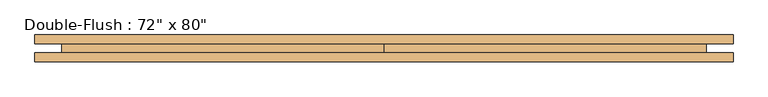
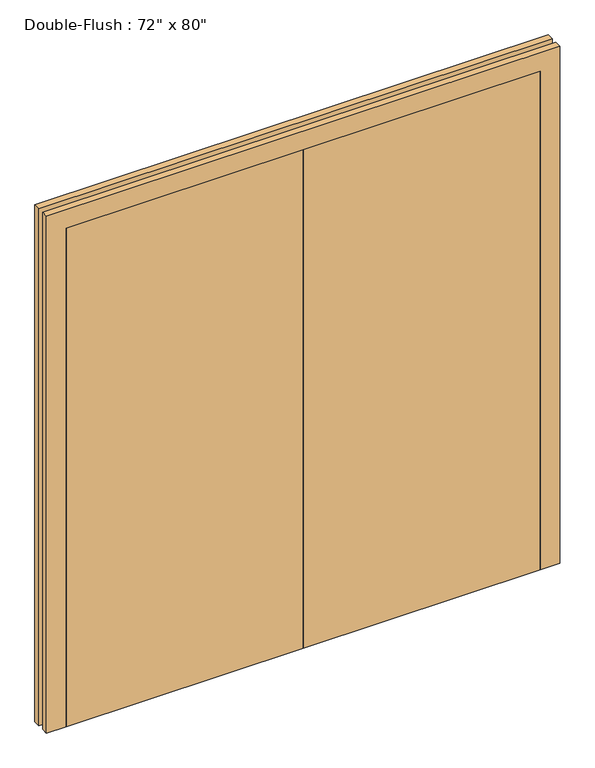
"""IFC4 building model written with IfcOpenShell, lengths in millimetres: door geometry."""

from ifc_helpers import new_model, si_unit, frame, origin, origin_with_axes, place, context, project, spatial, polyline, outline, extrude, source, transform, mapped, element, save


def door_36c6cd38(model_context):
    return source(origin(), model_context, "Body", "SweptSolid", [
        extrude(outline(polyline([(0.0, 12.7), (914.4, 12.7), (914.4, -38.1), (0.0, -38.1), (0.0, 12.7)])), origin_with_axes(), (0.0, 0.0, 1.0), 2032.0),
        extrude(outline(polyline([(-914.4, 12.7), (0.0, 12.7), (0.0, -38.1), (-914.4, -38.1), (-914.4, 12.7)])), origin_with_axes(), (0.0, 0.0, 1.0), 2032.0),
        extrude(outline(polyline([(2032.0, -914.4), (2032.0, 914.4), (0.0, 914.4), (0.0, 990.6), (2108.2, 990.6), (2108.2, -990.6), (0.0, -990.6), (0.0, -914.4), (2032.0, -914.4)])), frame((0.0, -38.1, 0.0), z_axis=(0.0, 1.0, 0.0), x_axis=(0.0, 0.0, 1.0)), (0.0, 0.0, 1.0), 25.4),
        extrude(outline(polyline([(2032.0, -914.4), (2032.0, 914.4), (0.0, 914.4), (0.0, 990.6), (2108.2, 990.6), (2108.2, -990.6), (0.0, -990.6), (0.0, -914.4), (2032.0, -914.4)])), frame((0.0, 12.7, 0.0), z_axis=(0.0, 1.0, 0.0), x_axis=(0.0, 0.0, 1.0)), (0.0, 0.0, 1.0), 25.4),
    ])


if __name__ == "__main__":
    model = new_model("IFC4")
    model_context = context("Model", 3, world=origin())
    ifc_project = project(units=[si_unit("LENGTHUNIT", "METRE", prefix="MILLI")], contexts=[model_context])
    site = spatial("IfcSite", under=ifc_project)
    building = spatial("IfcBuilding", under=site)
    placement = place(None, origin())
    door_shape = door_36c6cd38(model_context)
    element("IfcDoor", 1, ObjectType="Double-Flush : 72\" x 80\"", at=placement, inside=building, context=model_context, shape_type="MappedRepresentation", body=[
        mapped(door_shape, transform((0.0, 0.0, 0.0), x_axis=(1.0, 0.0, 0.0), y_axis=(0.0, 1.0, 0.0), z_axis=(0.0, 0.0, 1.0))),
    ])
    save(model, "model.ifc")
